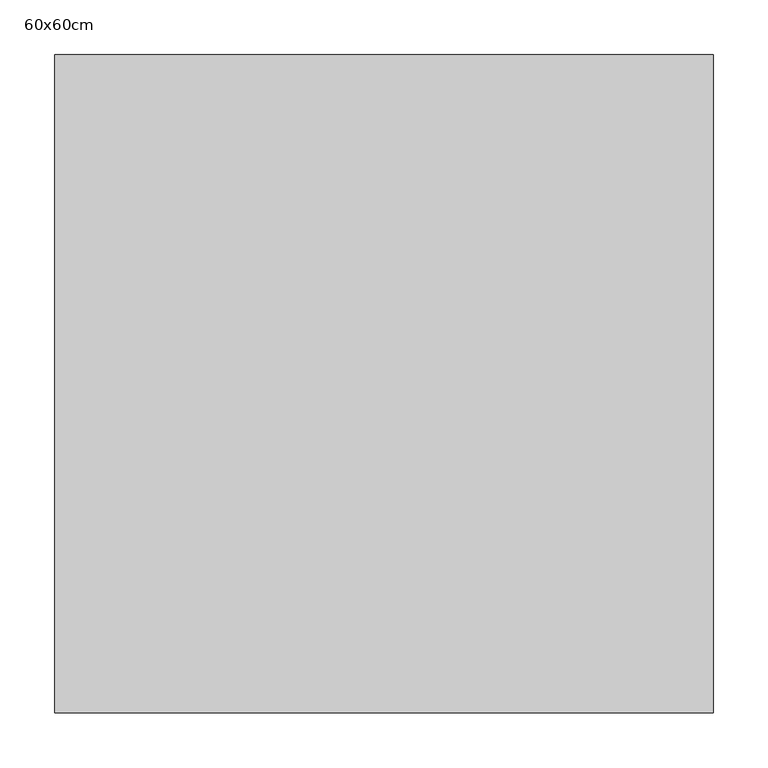
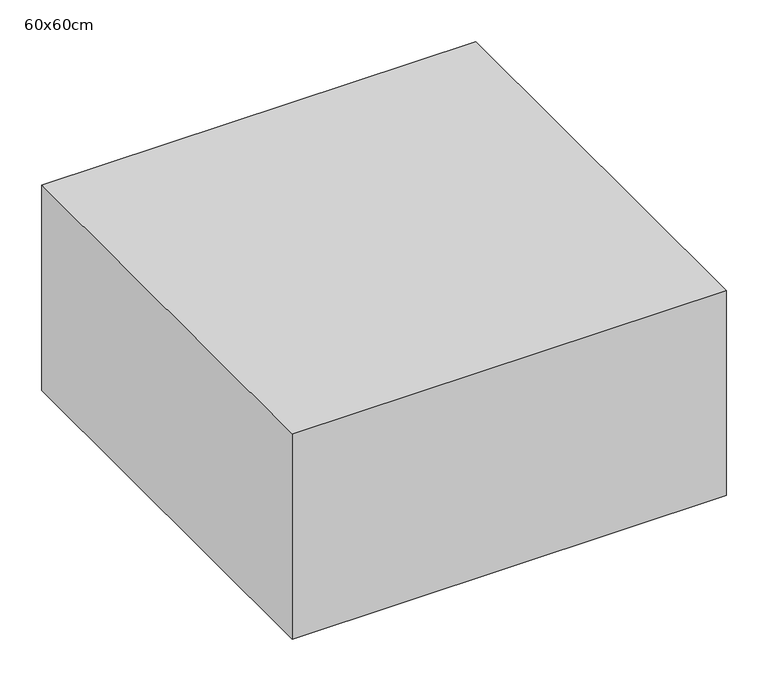
"""IFC4 building model written with IfcOpenShell, lengths in millimetres: proxy geometry, 60x60cm."""

from ifc_helpers import new_model, si_unit, frame, origin, place, context, project, spatial, polyline, outline, extrude, source, transform, mapped, element, save


def proxy_60x60cm_b13f46fd(model_context):
    return source(origin(), model_context, "Body", "SweptSolid", [
        extrude(outline(polyline([(600.0, 600.0), (600.0, 0.0), (0.0, 0.0), (0.0, 600.0), (600.0, 600.0)])), frame((0.0, 0.0, 3000.0), z_axis=(0.0, 0.0, 1.0), x_axis=(1.0, 0.0, 0.0)), (0.0, 0.0, 1.0), 300.0),
    ])


if __name__ == "__main__":
    model = new_model("IFC4")
    model_context = context("Model", 3, world=origin())
    ifc_project = project(units=[si_unit("LENGTHUNIT", "METRE", prefix="MILLI")], contexts=[model_context])
    site = spatial("IfcSite", under=ifc_project)
    building = spatial("IfcBuilding", under=site)
    placement = place(None, origin())
    proxy_60x60cm_shape = proxy_60x60cm_b13f46fd(model_context)
    element("IfcBuildingElementProxy", 1, Name="60x60cm", ObjectType="60x60cm", at=placement, inside=building, context=model_context, shape_type="MappedRepresentation", body=[
        mapped(proxy_60x60cm_shape, transform((0.0, 0.0, 0.0), x_axis=(1.0, 0.0, 0.0), y_axis=(0.0, 1.0, 0.0), z_axis=(0.0, 0.0, 1.0))),
    ])
    save(model, "model.ifc")
